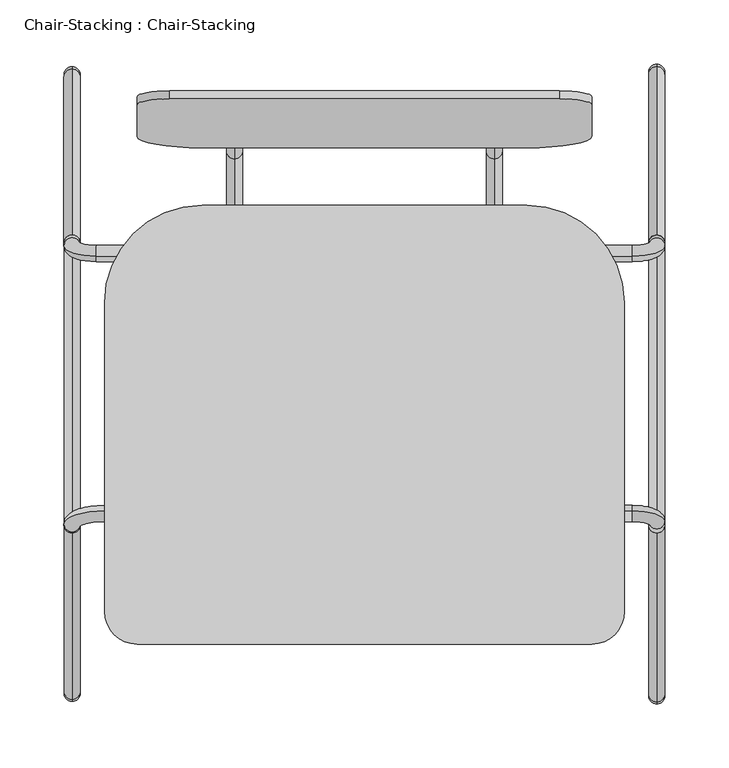
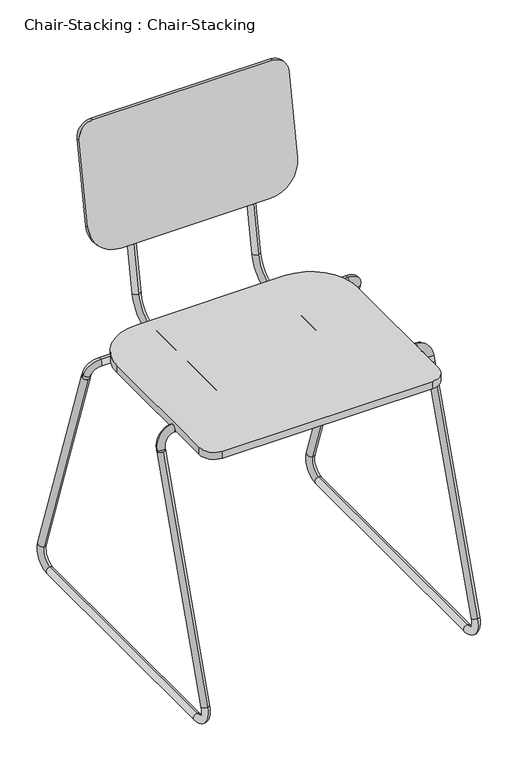
"""IFC4 building model written with IfcOpenShell, lengths in millimetres: furniture geometry, Chair-Stacking : Chair-Stacking."""

from ifc_helpers import new_model, si_unit, point, frame, frame_2d, origin, place, context, project, spatial, polyline, circle_curve, ellipse_curve, trimmed, segment, composite_curve, outline, extrude, source, transform, mapped, element, save
from ifc_brep_helpers import plane_surface, cylinder_surface, revolved_surface, advanced_brep


def chair_stacking_chair_stacking_70e1df19(model_context):
    return source(origin(), model_context, "Body", "SolidModel", [
        advanced_brep(
        [(-280.6491803, -213.2656675, 431.8), (-280.6491803, -213.2656675, 444.5), (-280.6491803, 23.0277124, 444.5), (-280.6491803, 23.0277124, 431.8), (-280.6491803, 66.802417, 481.2313385), (-280.6491803, 79.3094755, 479.0260066), (-280.6491803, 119.2282049, 705.4163709), (-280.6491803, 106.7211464, 707.6217027)],
        [
            (0, 1, circle_curve(frame((-280.6491803, -213.2656675, 438.15), z_axis=(0.0, -1.0, 0.0), x_axis=(0.0, 0.0, 1.0)), 6.35)),
            (1, 0, circle_curve(frame((-280.6491803, -213.2656675, 438.15), z_axis=(0.0, -1.0, 0.0), x_axis=(0.0, 0.0, 1.0)), 6.35)),
            (1, 2),
            (2, 3, circle_curve(frame((-280.6491803, 23.0277124, 438.15), z_axis=(0.0, -1.0, 0.0), x_axis=(0.0, 0.0, 1.0)), 6.35)),
            (3, 0),
            (3, 2, circle_curve(frame((-280.6491803, 23.0277124, 438.15), z_axis=(0.0, -1.0, 0.0), x_axis=(0.0, 0.0, 1.0)), 6.35)),
            (4, 5, circle_curve(frame((-280.6491803, 73.0559463, 480.1286726), z_axis=(0.0, -0.17364817766693355, -0.9848077530122076), x_axis=(0.0, -0.9848077530122076, 0.17364817766693355)), 6.35)),
            (5, 3, circle_curve(frame((-280.6491803, 23.0277124, 488.95), z_axis=(-1.0, 0.0, 0.0), x_axis=(0.0, 0.0, -1.0)), 57.15)),
            (2, 4, circle_curve(frame((-280.6491803, 23.0277124, 488.95), z_axis=(1.0, 0.0, 0.0), x_axis=(0.0, 0.0, -1.0)), 44.45)),
            (5, 4, circle_curve(frame((-280.6491803, 73.0559463, 480.1286726), z_axis=(0.0, -0.1736481776669353, -0.9848077530122072), x_axis=(0.0, -0.9848077530122072, 0.1736481776669353)), 6.35)),
            (6, 7, circle_curve(frame((-280.6491803, 112.9746757, 706.5190368), z_axis=(0.0, 0.1736481776669348, 0.9848077530122074), x_axis=(0.0, -0.9848077530122074, 0.1736481776669348)), 6.35)),
            (7, 6, circle_curve(frame((-280.6491803, 112.9746757, 706.5190368), z_axis=(0.0, 0.1736481776669348, 0.9848077530122074), x_axis=(0.0, -0.9848077530122074, 0.1736481776669348)), 6.35)),
            (4, 7),
            (6, 5),
        ],
        [
            plane_surface(frame((-286.9991803, -213.2656675, 438.15), z_axis=(0.0, -1.0, 0.0), x_axis=(0.0, 0.0, -1.0))),
            cylinder_surface(frame((-280.6491803, -213.2656675, 438.15), z_axis=(0.0, -1.0, 0.0), x_axis=(0.0, 0.0, 1.0)), 6.35),
            revolved_surface(trimmed(ellipse_curve(frame((-280.6491803, 23.0277124, 438.15), z_axis=(0.0, 1.0, 0.0), x_axis=(0.0, 0.0, 1.0)), 6.35, 6.35), [point((-280.6491803, 23.0277124, 431.8))], [point((-280.6491803, 23.0277124, 444.5))], True, "CARTESIAN"), (-280.6491803, 23.0277124, 488.95), (-1.0, 0.0, 0.0)),
            revolved_surface(trimmed(ellipse_curve(frame((-280.6491803, 23.0277124, 438.15), z_axis=(0.0, 1.0, 0.0), x_axis=(0.0, 0.0, 1.0)), 6.35, 6.35), [point((-280.6491803, 23.0277124, 444.5))], [point((-280.6491803, 23.0277124, 431.8))], True, "CARTESIAN"), (-280.6491803, 23.0277124, 488.95), (-1.0, 0.0, 0.0)),
            plane_surface(frame((-280.6491803, 119.2282049, 705.4163709), z_axis=(0.0, 0.17364817766692842, 0.9848077530122085), x_axis=(1.0, 0.0, 0.0))),
            cylinder_surface(frame((-280.6491803, 73.0559463, 480.1286726), z_axis=(0.0, -0.1736481776669348, -0.9848077530122074), x_axis=(0.0, -0.9848077530122074, 0.1736481776669348)), 6.35),
        ],
        [
            (0, [[1, 2]]),
            (1, [[3, 4, 5, -2]]),
            (1, [[-5, 6, -3, -1]]),
            (2, [[7, 8, -4, 9]]),
            (3, [[10, -9, -6, -8]]),
            (4, [[11, 12]]),
            (5, [[13, -11, 14, -7]]),
            (5, [[-14, -12, -13, -10]]),
        ],
    ),
        advanced_brep(
        [(-77.4491803, -213.2656675, 431.8), (-77.4491803, -213.2656675, 444.5), (-77.4491803, 23.0277124, 444.5), (-77.4491803, 23.0277124, 431.8), (-77.4491803, 66.802417, 481.2313385), (-77.4491803, 79.3094755, 479.0260066), (-77.4491803, 118.9339087, 703.7473341), (-77.4491803, 106.4268502, 705.9526659)],
        [
            (0, 1, circle_curve(frame((-77.4491803, -213.2656675, 438.15), z_axis=(0.0, -1.0, 0.0), x_axis=(0.0, 0.0, 1.0)), 6.35)),
            (1, 0, circle_curve(frame((-77.4491803, -213.2656675, 438.15), z_axis=(0.0, -1.0, 0.0), x_axis=(0.0, 0.0, 1.0)), 6.35)),
            (1, 2),
            (2, 3, circle_curve(frame((-77.4491803, 23.0277124, 438.15), z_axis=(0.0, -1.0, 0.0), x_axis=(0.0, 0.0, 1.0)), 6.35)),
            (3, 0),
            (3, 2, circle_curve(frame((-77.4491803, 23.0277124, 438.15), z_axis=(0.0, -1.0, 0.0), x_axis=(0.0, 0.0, 1.0)), 6.35)),
            (4, 5, circle_curve(frame((-77.4491803, 73.0559463, 480.1286726), z_axis=(0.0, -0.17364817766693696, -0.9848077530122069), x_axis=(0.0, -0.9848077530122069, 0.17364817766693696)), 6.35)),
            (5, 3, circle_curve(frame((-77.4491803, 23.0277124, 488.95), z_axis=(-1.0, 0.0, 0.0), x_axis=(0.0, 0.0, -1.0)), 57.15)),
            (2, 4, circle_curve(frame((-77.4491803, 23.0277124, 488.95), z_axis=(1.0, 0.0, 0.0), x_axis=(0.0, 0.0, -1.0)), 44.45)),
            (5, 4, circle_curve(frame((-77.4491803, 73.0559463, 480.1286726), z_axis=(0.0, -0.1736481776669396, -0.9848077530122064), x_axis=(0.0, -0.9848077530122064, 0.1736481776669396)), 6.35)),
            (6, 7, circle_curve(frame((-77.4491803, 112.6803794, 704.85), z_axis=(0.0, 0.17364817766693896, 0.9848077530122066), x_axis=(0.0, -0.9848077530122066, 0.17364817766693896)), 6.35)),
            (7, 6, circle_curve(frame((-77.4491803, 112.6803794, 704.85), z_axis=(0.0, 0.17364817766693896, 0.9848077530122066), x_axis=(0.0, -0.9848077530122066, 0.17364817766693896)), 6.35)),
            (4, 7),
            (6, 5),
        ],
        [
            plane_surface(frame((-83.7991803, -213.2656675, 438.15), z_axis=(0.0, -1.0, 0.0), x_axis=(0.0, 0.0, -1.0))),
            cylinder_surface(frame((-77.4491803, -213.2656675, 438.15), z_axis=(0.0, -1.0, 0.0), x_axis=(0.0, 0.0, 1.0)), 6.35),
            revolved_surface(trimmed(ellipse_curve(frame((-77.4491803, 23.0277124, 438.15), z_axis=(0.0, 1.0, 0.0), x_axis=(0.0, 0.0, 1.0)), 6.35, 6.35), [point((-77.4491803, 23.0277124, 431.8))], [point((-77.4491803, 23.0277124, 444.5))], True, "CARTESIAN"), (-77.4491803, 23.0277124, 488.95), (-1.0, 0.0, 0.0)),
            revolved_surface(trimmed(ellipse_curve(frame((-77.4491803, 23.0277124, 438.15), z_axis=(0.0, 1.0, 0.0), x_axis=(0.0, 0.0, 1.0)), 6.35, 6.35), [point((-77.4491803, 23.0277124, 444.5))], [point((-77.4491803, 23.0277124, 431.8))], True, "CARTESIAN"), (-77.4491803, 23.0277124, 488.95), (-1.0, 0.0, 0.0)),
            plane_surface(frame((-77.4491803, 118.9339087, 703.7473341), z_axis=(0.0, 0.17364817766692892, 0.9848077530122084), x_axis=(1.0, 0.0, 0.0))),
            cylinder_surface(frame((-77.4491803, 73.0559463, 480.1286726), z_axis=(0.0, -0.17364817766693896, -0.9848077530122066), x_axis=(0.0, -0.9848077530122066, 0.17364817766693896)), 6.35),
        ],
        [
            (0, [[1, 2]]),
            (1, [[3, 4, 5, -2]]),
            (1, [[-5, 6, -3, -1]]),
            (2, [[7, 8, -4, 9]]),
            (3, [[10, -9, -6, -8]]),
            (4, [[11, 12]]),
            (5, [[13, -11, 14, -7]]),
            (5, [[-14, -12, -13, -10]]),
        ],
    ),
        extrude(outline(composite_curve([segment(polyline([(-1.2491803, -312.1314636), (-356.8491803, -312.1314636)]), True, "CONTINUOUS"), segment(trimmed(circle_curve(frame_2d((-356.8491803, -286.7314636)), 25.4), [point((-356.8491803, -312.1314636))], [point((-382.2491803, -286.7314636))], False, "CARTESIAN"), True, "CONTINUOUS"), segment(polyline([(-382.2491803, -286.7314636), (-382.2491803, -45.4314636)]), True, "CONTINUOUS"), segment(trimmed(circle_curve(frame_2d((-306.0491803, -45.4314636)), 76.2), [point((-382.2491803, -45.4314636))], [point((-306.0491803, 30.7685364))], False, "CARTESIAN"), True, "CONTINUOUS"), segment(polyline([(-306.0491803, 30.7685364), (-52.0491803, 30.7685364)]), True, "CONTINUOUS"), segment(trimmed(circle_curve(frame_2d((-52.0491803, -45.4314636)), 76.2), [point((-52.0491803, 30.7685364))], [point((24.1508197, -45.4314636))], False, "CARTESIAN"), True, "CONTINUOUS"), segment(polyline([(24.1508197, -45.4314636), (24.1508197, -286.7314636)]), True, "CONTINUOUS"), segment(trimmed(circle_curve(frame_2d((-1.2491803, -286.7314636)), 25.4), [point((24.1508197, -286.7314636))], [point((-1.2491803, -312.1314636))], False, "CARTESIAN"), True, "CONTINUOUS")], self_intersect=False)), frame((0.0, 0.0, 444.5), z_axis=(0.0, 0.0, 1.0), x_axis=(1.0, 0.0, 0.0)), (0.0, 0.0, 1.0), 12.7),
        extrude(outline(composite_curve([segment(trimmed(circle_curve(frame_2d((-304.8, 25.4)), 25.4), [point((-304.8, 0.0))], [point((-330.2, 25.4))], False, "CARTESIAN"), True, "CONTINUOUS"), segment(polyline([(-330.2, 25.4), (-330.2, 168.3013626)]), True, "CONTINUOUS"), segment(trimmed(circle_curve(frame_2d((-279.4, 168.3013626)), 50.8), [point((-330.2, 168.3013626))], [point((-279.4, 219.1013626))], False, "CARTESIAN"), True, "CONTINUOUS"), segment(polyline([(-279.4, 219.1013626), (-25.4, 219.1013626)]), True, "CONTINUOUS"), segment(trimmed(circle_curve(frame_2d((-25.4, 168.3013626)), 50.8), [point((-25.4, 219.1013626))], [point((25.4, 168.3013626))], False, "CARTESIAN"), True, "CONTINUOUS"), segment(polyline([(25.4, 168.3013626), (25.4, 25.4)]), True, "CONTINUOUS"), segment(trimmed(circle_curve(frame_2d((0.0, 25.4)), 25.4), [point((25.4, 25.4))], [point((0.0, 0.0))], False, "CARTESIAN"), True, "CONTINUOUS"), segment(polyline([(0.0, 0.0), (-304.8, 0.0)]), True, "CONTINUOUS")], self_intersect=False)), frame((-331.4491803, 119.9531376, 782.6640535), z_axis=(0.0, -0.9848077530122084, 0.17364817766692858), x_axis=(-1.0, 0.0, 0.0)), (0.0, 0.0, 1.0), 6.35),
        advanced_brep(
        [(55.9008197, -219.2327758, 419.1211728), (43.2008197, -219.2327758, 419.1211728), (43.2008197, -216.3017292, 427.6700586), (55.9008197, -216.3017292, 427.6700586), (30.5008197, -212.1828103, 439.6835721), (30.5008197, -208.0638914, 451.6970857), (-382.2491803, -212.1828103, 439.6835721), (-382.2491803, -208.0638914, 451.6970857), (-401.2991803, -218.3611887, 421.6633019), (-413.9991803, -218.3611887, 421.6633019), (-413.9991803, -219.2424531, 419.0929473), (-401.2991803, -219.2424531, 419.0929473)],
        [
            (0, 1, circle_curve(frame((49.5508197, -219.2327758, 419.1211728), z_axis=(0.0, -0.32432432432432967, -0.9459459459459442), x_axis=(-1.0, 0.0, 0.0)), 6.35)),
            (1, 0, circle_curve(frame((49.5508197, -219.2327758, 419.1211728), z_axis=(0.0, -0.32432432432432967, -0.9459459459459442), x_axis=(-1.0, 0.0, 0.0)), 6.35)),
            (1, 2),
            (2, 3, circle_curve(frame((49.5508197, -216.3017292, 427.6700586), z_axis=(0.0, -0.32432432432432967, -0.9459459459459442), x_axis=(-1.0, 0.0, 0.0)), 6.35)),
            (3, 0),
            (3, 2, circle_curve(frame((49.5508197, -216.3017292, 427.6700586), z_axis=(0.0, -0.32432432432432967, -0.9459459459459442), x_axis=(-1.0, 0.0, 0.0)), 6.35)),
            (4, 5, circle_curve(frame((30.5008197, -210.1233509, 445.6903289), z_axis=(1.0, 0.0, 0.0), x_axis=(0.0, -0.32432432432432745, -0.9459459459459449)), 6.35)),
            (5, 3, circle_curve(frame((30.5008197, -216.3017292, 427.6700586), z_axis=(0.0, 0.9459459459459447, -0.3243243243243281), x_axis=(1.0, 0.0, 0.0)), 25.4)),
            (2, 4, circle_curve(frame((30.5008197, -216.3017292, 427.6700586), z_axis=(0.0, -0.9459459459459447, 0.3243243243243281), x_axis=(1.0, 0.0, 0.0)), 12.7)),
            (5, 4, circle_curve(frame((30.5008197, -210.1233509, 445.6903289), z_axis=(1.0, 0.0, 0.0), x_axis=(0.0, -0.32432432432432745, -0.9459459459459449)), 6.35)),
            (4, 6),
            (6, 7, circle_curve(frame((-382.2491803, -210.1233509, 445.6903289), z_axis=(1.0, 0.0, 0.0), x_axis=(0.0, -0.32432432432432745, -0.9459459459459449)), 6.35)),
            (7, 5),
            (7, 6, circle_curve(frame((-382.2491803, -210.1233509, 445.6903289), z_axis=(1.0, 0.0, 0.0), x_axis=(0.0, -0.32432432432432745, -0.9459459459459449)), 6.35)),
            (8, 9, circle_curve(frame((-407.6491803, -218.3611887, 421.6633019), z_axis=(0.0, 0.324324324324328, 0.9459459459459447), x_axis=(1.0000000000000002, 0.0, 0.0)), 6.35)),
            (9, 7, circle_curve(frame((-382.2491803, -218.3611887, 421.6633019), z_axis=(0.0, 0.9459459459459447, -0.3243243243243281), x_axis=(0.0, 0.3243243243243281, 0.9459459459459447)), 31.75)),
            (6, 8, circle_curve(frame((-382.2491803, -218.3611887, 421.6633019), z_axis=(0.0, -0.9459459459459447, 0.3243243243243281), x_axis=(0.0, 0.3243243243243281, 0.9459459459459447)), 19.05)),
            (9, 8, circle_curve(frame((-407.6491803, -218.3611887, 421.6633019), z_axis=(0.0, 0.324324324324328, 0.9459459459459447), x_axis=(1.0000000000000002, 0.0, 0.0)), 6.35)),
            (10, 11, circle_curve(frame((-407.6491803, -219.2424531, 419.0929473), z_axis=(0.0, -0.32432432432432784, -0.9459459459459449), x_axis=(1.0, 0.0, 0.0)), 6.35)),
            (11, 10, circle_curve(frame((-407.6491803, -219.2424531, 419.0929473), z_axis=(0.0, -0.32432432432432784, -0.9459459459459449), x_axis=(1.0, 0.0, 0.0)), 6.35)),
            (8, 11),
            (10, 9),
        ],
        [
            plane_surface(frame((49.5508197, -213.226019, 417.0617133), z_axis=(0.0, -0.32432432432433117, -0.9459459459459437), x_axis=(1.0, 0.0, 0.0))),
            cylinder_surface(frame((49.5508197, -219.2327758, 419.1211728), z_axis=(0.0, -0.32432432432432967, -0.9459459459459442), x_axis=(-1.0, 0.0, 0.0)), 6.35),
            revolved_surface(trimmed(ellipse_curve(frame((49.5508197, -216.3017292, 427.6700586), z_axis=(0.0, 0.32432432432432823, 0.9459459459459447), x_axis=(-1.0, 0.0, 0.0)), 6.35, 6.35), [point((55.9008197, -216.3017292, 427.6700586))], [point((43.2008197, -216.3017292, 427.6700586))], True, "CARTESIAN"), (30.5008197, -216.3017292, 427.6700586), (0.0, 0.9459459459459447, -0.3243243243243281)),
            revolved_surface(trimmed(ellipse_curve(frame((49.5508197, -216.3017292, 427.6700586), z_axis=(0.0, 0.32432432432432823, 0.9459459459459447), x_axis=(-1.0, 0.0, 0.0)), 6.35, 6.35), [point((43.2008197, -216.3017292, 427.6700586))], [point((55.9008197, -216.3017292, 427.6700586))], True, "CARTESIAN"), (30.5008197, -216.3017292, 427.6700586), (0.0, 0.9459459459459447, -0.3243243243243281)),
            cylinder_surface(frame((30.5008197, -210.1233509, 445.6903289), z_axis=(1.0, 0.0, 0.0), x_axis=(0.0, -0.32432432432432745, -0.9459459459459449)), 6.35),
            revolved_surface(trimmed(ellipse_curve(frame((-382.2491803, -210.1233509, 445.6903289), z_axis=(-1.0000000000000002, 0.0, 0.0), x_axis=(0.0, -0.3243243243243276, -0.9459459459459449)), 6.35, 6.35), [point((-382.2491803, -208.0638914, 451.6970857))], [point((-382.2491803, -212.1828103, 439.6835721))], True, "CARTESIAN"), (-382.2491803, -218.3611887, 421.6633019), (0.0, 0.9459459459459447, -0.3243243243243281)),
            revolved_surface(trimmed(ellipse_curve(frame((-382.2491803, -210.1233509, 445.6903289), z_axis=(-1.0000000000000002, 0.0, 0.0), x_axis=(0.0, -0.3243243243243276, -0.9459459459459449)), 6.35, 6.35), [point((-382.2491803, -212.1828103, 439.6835721))], [point((-382.2491803, -208.0638914, 451.6970857))], True, "CARTESIAN"), (-382.2491803, -218.3611887, 421.6633019), (0.0, 0.9459459459459447, -0.3243243243243281)),
            plane_surface(frame((-407.6491803, -225.2492099, 421.1524068), z_axis=(0.0, -0.3243243243243264, -0.9459459459459453), x_axis=(1.0, 0.0, 0.0))),
            cylinder_surface(frame((-407.6491803, -218.3611887, 421.6633019), z_axis=(0.0, 0.3243243243243278, 0.9459459459459447), x_axis=(1.0, 0.0, 0.0)), 6.35),
        ],
        [
            (0, [[1, 2]]),
            (1, [[3, 4, 5, -2]]),
            (1, [[-5, 6, -3, -1]]),
            (2, [[7, 8, -4, 9]]),
            (3, [[10, -9, -6, -8]]),
            (4, [[11, 12, 13, -7]]),
            (4, [[-13, 14, -11, -10]]),
            (5, [[15, 16, -12, 17]]),
            (6, [[18, -17, -14, -16]]),
            (7, [[19, 20]]),
            (8, [[21, -19, 22, -15]]),
            (8, [[-22, -20, -21, -18]]),
        ],
    ),
        advanced_brep(
        [(55.9008197, 1.3812406, 419.0879461), (43.2008197, 1.3812406, 419.0879461), (43.2008197, -0.7944914, 425.4338312), (55.9008197, -0.7944914, 425.4338312), (30.5008197, -4.9134104, 437.4473447), (30.5008197, -9.0323293, 449.4608582), (-388.5991803, -4.9134104, 437.4473447), (-388.5991803, -9.0323293, 449.4608582), (-401.2991803, -0.7944914, 425.4338312), (-413.9991803, -0.7944914, 425.4338312), (-413.9991803, 1.3997864, 419.0338542), (-401.2991803, 1.3997864, 419.0338542)],
        [
            (0, 1, circle_curve(frame((49.5508197, 1.3812406, 419.0879461), z_axis=(0.0, 0.32432432432432495, -0.9459459459459457), x_axis=(-1.0, 0.0, 0.0)), 6.35)),
            (1, 0, circle_curve(frame((49.5508197, 1.3812406, 419.0879461), z_axis=(0.0, 0.32432432432432495, -0.9459459459459457), x_axis=(-1.0, 0.0, 0.0)), 6.35)),
            (1, 2),
            (2, 3, circle_curve(frame((49.5508197, -0.7944914, 425.4338312), z_axis=(0.0, 0.32432432432432495, -0.9459459459459457), x_axis=(-1.0, 0.0, 0.0)), 6.35)),
            (3, 0),
            (3, 2, circle_curve(frame((49.5508197, -0.7944914, 425.4338312), z_axis=(0.0, 0.32432432432432495, -0.9459459459459457), x_axis=(-1.0, 0.0, 0.0)), 6.35)),
            (4, 5, circle_curve(frame((30.5008197, -6.9728698, 443.4541014), z_axis=(1.0, 0.0, 0.0), x_axis=(0.0, 0.3243243243243236, -0.9459459459459462)), 6.35)),
            (5, 3, circle_curve(frame((30.5008197, -0.7944914, 425.4338312), z_axis=(0.0, 0.9459459459459458, 0.3243243243243246), x_axis=(1.0, 0.0, 0.0)), 25.4)),
            (2, 4, circle_curve(frame((30.5008197, -0.7944914, 425.4338312), z_axis=(0.0, -0.9459459459459458, -0.3243243243243246), x_axis=(1.0, 0.0, 0.0)), 12.7)),
            (5, 4, circle_curve(frame((30.5008197, -6.9728698, 443.4541014), z_axis=(1.0, 0.0, 0.0), x_axis=(0.0, 0.3243243243243236, -0.9459459459459462)), 6.35)),
            (4, 6),
            (6, 7, circle_curve(frame((-388.5991803, -6.9728698, 443.4541014), z_axis=(1.0, 0.0, 0.0), x_axis=(0.0, 0.3243243243243236, -0.9459459459459462)), 6.35)),
            (7, 5),
            (7, 6, circle_curve(frame((-388.5991803, -6.9728698, 443.4541014), z_axis=(1.0, 0.0, 0.0), x_axis=(0.0, 0.3243243243243236, -0.9459459459459462)), 6.35)),
            (8, 9, circle_curve(frame((-407.6491803, -0.7944914, 425.4338312), z_axis=(0.0, -0.3243243243243247, 0.9459459459459458), x_axis=(1.0, 0.0, 0.0)), 6.35)),
            (9, 7, circle_curve(frame((-388.5991803, -0.7944914, 425.4338312), z_axis=(0.0, 0.9459459459459458, 0.3243243243243246), x_axis=(0.0, -0.3243243243243246, 0.9459459459459458)), 25.4)),
            (6, 8, circle_curve(frame((-388.5991803, -0.7944914, 425.4338312), z_axis=(0.0, -0.9459459459459458, -0.3243243243243246), x_axis=(0.0, -0.3243243243243246, 0.9459459459459458)), 12.7)),
            (9, 8, circle_curve(frame((-407.6491803, -0.7944914, 425.4338312), z_axis=(0.0, -0.3243243243243247, 0.9459459459459458), x_axis=(1.0, 0.0, 0.0)), 6.35)),
            (10, 11, circle_curve(frame((-407.6491803, 1.3997864, 419.0338542), z_axis=(0.0, 0.3243243243243242, -0.945945945945946), x_axis=(1.0, 0.0, 0.0)), 6.35)),
            (11, 10, circle_curve(frame((-407.6491803, 1.3997864, 419.0338542), z_axis=(0.0, 0.3243243243243242, -0.945945945945946), x_axis=(1.0, 0.0, 0.0)), 6.35)),
            (8, 11),
            (10, 9),
        ],
        [
            plane_surface(frame((49.5508197, 7.3879973, 421.1474055), z_axis=(0.0, 0.32432432432432273, -0.9459459459459466), x_axis=(1.0, 0.0, 0.0))),
            cylinder_surface(frame((49.5508197, 1.3812406, 419.0879461), z_axis=(0.0, 0.32432432432432495, -0.9459459459459457), x_axis=(-1.0, 0.0, 0.0)), 6.35),
            revolved_surface(trimmed(ellipse_curve(frame((49.5508197, -0.7944914, 425.4338312), z_axis=(0.0, -0.32432432432432456, 0.9459459459459458), x_axis=(-1.0, 0.0, 0.0)), 6.35, 6.35), [point((55.9008197, -0.7944914, 425.4338312))], [point((43.2008197, -0.7944914, 425.4338312))], True, "CARTESIAN"), (30.5008197, -0.7944914, 425.4338312), (0.0, 0.9459459459459458, 0.3243243243243246)),
            revolved_surface(trimmed(ellipse_curve(frame((49.5508197, -0.7944914, 425.4338312), z_axis=(0.0, -0.32432432432432456, 0.9459459459459458), x_axis=(-1.0, 0.0, 0.0)), 6.35, 6.35), [point((43.2008197, -0.7944914, 425.4338312))], [point((55.9008197, -0.7944914, 425.4338312))], True, "CARTESIAN"), (30.5008197, -0.7944914, 425.4338312), (0.0, 0.9459459459459458, 0.3243243243243246)),
            cylinder_surface(frame((30.5008197, -6.9728698, 443.4541014), z_axis=(1.0, 0.0, 0.0), x_axis=(0.0, 0.3243243243243236, -0.9459459459459462)), 6.35),
            revolved_surface(trimmed(ellipse_curve(frame((-388.5991803, -6.9728698, 443.4541014), z_axis=(-1.0, 0.0, 0.0), x_axis=(0.0, 0.3243243243243236, -0.9459459459459462)), 6.35, 6.35), [point((-388.5991803, -9.0323293, 449.4608582))], [point((-388.5991803, -4.9134104, 437.4473447))], True, "CARTESIAN"), (-388.5991803, -0.7944914, 425.4338312), (0.0, 0.9459459459459458, 0.3243243243243246)),
            revolved_surface(trimmed(ellipse_curve(frame((-388.5991803, -6.9728698, 443.4541014), z_axis=(-1.0, 0.0, 0.0), x_axis=(0.0, 0.3243243243243236, -0.9459459459459462)), 6.35, 6.35), [point((-388.5991803, -4.9134104, 437.4473447))], [point((-388.5991803, -9.0323293, 449.4608582))], True, "CARTESIAN"), (-388.5991803, -0.7944914, 425.4338312), (0.0, 0.9459459459459458, 0.3243243243243246)),
            plane_surface(frame((-407.6491803, -4.6069704, 416.9743947), z_axis=(0.0, 0.3243243243243226, -0.9459459459459466), x_axis=(1.0, 0.0, 0.0))),
            cylinder_surface(frame((-407.6491803, -0.7944914, 425.4338312), z_axis=(0.0, -0.3243243243243242, 0.945945945945946), x_axis=(1.0, 0.0, 0.0)), 6.35),
        ],
        [
            (0, [[1, 2]]),
            (1, [[3, 4, 5, -2]]),
            (1, [[-5, 6, -3, -1]]),
            (2, [[7, 8, -4, 9]]),
            (3, [[10, -9, -6, -8]]),
            (4, [[11, 12, 13, -7]]),
            (4, [[-13, 14, -11, -10]]),
            (5, [[15, 16, -12, 17]]),
            (6, [[18, -17, -14, -16]]),
            (7, [[19, 20]]),
            (8, [[21, -19, 22, -15]]),
            (8, [[-22, -20, -21, -18]]),
        ],
    ),
        advanced_brep(
        [(-407.6491803, -225.2492099, 421.1524068), (-407.6491803, -213.2356963, 417.0334879), (-407.6491803, -343.214591, 37.9283784), (-407.6491803, -355.2281045, 42.0472973), (-407.6491803, -325.1943208, 12.7), (-407.6491803, -325.1943208, 0.0), (-407.6491803, 107.3313935, 12.7), (-407.6491803, 107.3313935, 0.0), (-407.6491803, 125.3516638, 37.9283784), (-407.6491803, 137.3651773, 42.0472973), (-407.6491803, 7.4065431, 421.0933136), (-407.6491803, -4.6069704, 416.9743947)],
        [
            (0, 1, circle_curve(frame((-407.6491803, -219.2424531, 419.0929473), z_axis=(0.0, 0.3243243243243311, 0.9459459459459437), x_axis=(0.0, 0.9459459459459437, -0.3243243243243311)), 6.35)),
            (1, 0, circle_curve(frame((-407.6491803, -219.2424531, 419.0929473), z_axis=(0.0, 0.3243243243243311, 0.9459459459459437), x_axis=(0.0, 0.9459459459459437, -0.3243243243243311)), 6.35)),
            (1, 2),
            (2, 3, circle_curve(frame((-407.6491803, -349.2213478, 39.9878378), z_axis=(0.0, 0.3243243243243311, 0.9459459459459437), x_axis=(0.0, 0.9459459459459437, -0.3243243243243311)), 6.35)),
            (3, 0),
            (3, 2, circle_curve(frame((-407.6491803, -349.2213478, 39.9878378), z_axis=(0.0, 0.3243243243243311, 0.9459459459459437), x_axis=(0.0, 0.9459459459459437, -0.3243243243243311)), 6.35)),
            (4, 5, circle_curve(frame((-407.6491803, -325.1943208, 6.35), z_axis=(0.0, -0.9999999999999999, 0.0), x_axis=(0.0, 0.0, 0.9999999999999999)), 6.35)),
            (5, 3, circle_curve(frame((-407.6491803, -325.1943208, 31.75), z_axis=(-1.0, 0.0, 0.0), x_axis=(0.0, -0.9459459459459434, 0.3243243243243317)), 31.75)),
            (2, 4, circle_curve(frame((-407.6491803, -325.1943208, 31.75), z_axis=(1.0, 0.0, 0.0), x_axis=(0.0, -0.9459459459459434, 0.3243243243243317)), 19.05)),
            (5, 4, circle_curve(frame((-407.6491803, -325.1943208, 6.35), z_axis=(0.0, -0.9999999999999999, 0.0), x_axis=(0.0, 0.0, 0.9999999999999999)), 6.35)),
            (4, 6),
            (6, 7, circle_curve(frame((-407.6491803, 107.3313935, 6.35), z_axis=(0.0, -1.0, 0.0), x_axis=(0.0, 0.0, 1.0)), 6.35)),
            (7, 5),
            (7, 6, circle_curve(frame((-407.6491803, 107.3313935, 6.35), z_axis=(0.0, -1.0, 0.0), x_axis=(0.0, 0.0, 1.0)), 6.35)),
            (8, 9, circle_curve(frame((-407.6491803, 131.3584206, 39.9878378), z_axis=(0.0, 0.3243243243243204, -0.9459459459459473), x_axis=(0.0, -0.9459459459459473, -0.3243243243243204)), 6.35)),
            (9, 7, circle_curve(frame((-407.6491803, 107.3313935, 31.75), z_axis=(-1.0, 0.0, 0.0), x_axis=(0.0, 0.0, -1.0)), 31.75)),
            (6, 8, circle_curve(frame((-407.6491803, 107.3313935, 31.75), z_axis=(1.0, 0.0, 0.0), x_axis=(0.0, 0.0, -1.0)), 19.05)),
            (9, 8, circle_curve(frame((-407.6491803, 131.3584206, 39.9878378), z_axis=(0.0, 0.3243243243243189, -0.9459459459459478), x_axis=(0.0, -0.9459459459459478, -0.3243243243243189)), 6.35)),
            (10, 11, circle_curve(frame((-407.6491803, 1.3997864, 419.0338542), z_axis=(0.0, -0.3243243243243217, 0.9459459459459468), x_axis=(0.0, -0.9459459459459468, -0.3243243243243217)), 6.35)),
            (11, 10, circle_curve(frame((-407.6491803, 1.3997864, 419.0338542), z_axis=(0.0, -0.3243243243243217, 0.9459459459459468), x_axis=(0.0, -0.9459459459459468, -0.3243243243243217)), 6.35)),
            (8, 11),
            (10, 9),
        ],
        [
            plane_surface(frame((-407.6491803, -225.2492099, 421.1524068), z_axis=(0.0, 0.32432432432432773, 0.9459459459459448), x_axis=(1.0, 0.0, 0.0))),
            cylinder_surface(frame((-407.6491803, -219.2424531, 419.0929473), z_axis=(0.0, 0.3243243243243311, 0.9459459459459437), x_axis=(0.0, 0.9459459459459437, -0.3243243243243311)), 6.35),
            revolved_surface(trimmed(ellipse_curve(frame((-407.6491803, -349.2213478, 39.9878378), z_axis=(0.0, -0.3243243243243347, -0.9459459459459424), x_axis=(0.0, 0.9459459459459424, -0.3243243243243347)), 6.35, 6.35), [point((-407.6491803, -355.2281045, 42.0472973))], [point((-407.6491803, -343.214591, 37.9283784))], True, "CARTESIAN"), (-407.6491803, -325.1943208, 31.75), (-1.0, 0.0, 0.0)),
            revolved_surface(trimmed(ellipse_curve(frame((-407.6491803, -349.2213478, 39.9878378), z_axis=(0.0, -0.3243243243243347, -0.9459459459459424), x_axis=(0.0, 0.9459459459459424, -0.3243243243243347)), 6.35, 6.35), [point((-407.6491803, -343.214591, 37.9283784))], [point((-407.6491803, -355.2281045, 42.0472973))], True, "CARTESIAN"), (-407.6491803, -325.1943208, 31.75), (-1.0, 0.0, 0.0)),
            cylinder_surface(frame((-407.6491803, -325.1943208, 6.35), z_axis=(0.0, -1.0, 0.0), x_axis=(0.0, 0.0, 1.0)), 6.35),
            revolved_surface(trimmed(ellipse_curve(frame((-407.6491803, 107.3313935, 6.35), z_axis=(0.0, 1.0, 0.0), x_axis=(0.0, 0.0, 1.0)), 6.35, 6.35), [point((-407.6491803, 107.3313935, 0.0))], [point((-407.6491803, 107.3313935, 12.7))], True, "CARTESIAN"), (-407.6491803, 107.3313935, 31.75), (-1.0, 0.0, 0.0)),
            revolved_surface(trimmed(ellipse_curve(frame((-407.6491803, 107.3313935, 6.35), z_axis=(0.0, 1.0, 0.0), x_axis=(0.0, 0.0, 1.0)), 6.35, 6.35), [point((-407.6491803, 107.3313935, 12.7))], [point((-407.6491803, 107.3313935, 0.0))], True, "CARTESIAN"), (-407.6491803, 107.3313935, 31.75), (-1.0, 0.0, 0.0)),
            plane_surface(frame((-407.6491803, 7.4065431, 421.0933136), z_axis=(0.0, -0.324324324324323, 0.9459459459459465), x_axis=(1.0, 0.0, 0.0))),
            cylinder_surface(frame((-407.6491803, 131.3584206, 39.9878378), z_axis=(0.0, 0.3243243243243217, -0.9459459459459468), x_axis=(0.0, -0.9459459459459468, -0.3243243243243217)), 6.35),
        ],
        [
            (0, [[1, 2]]),
            (1, [[3, 4, 5, -2]]),
            (1, [[-5, 6, -3, -1]]),
            (2, [[7, 8, -4, 9]]),
            (3, [[10, -9, -6, -8]]),
            (4, [[11, 12, 13, -7]]),
            (4, [[-13, 14, -11, -10]]),
            (5, [[15, 16, -12, 17]]),
            (6, [[18, -17, -14, -16]]),
            (7, [[19, 20]]),
            (8, [[21, -19, 22, -15]]),
            (8, [[-22, -20, -21, -18]]),
        ],
    ),
        advanced_brep(
        [(49.5508197, -225.2597598, 421.1875673), (49.5508197, -213.2656675, 417.0124327), (49.5508197, -345.1951918, 38.0127019), (49.5508197, -357.1892841, 42.1878365), (49.5508197, -327.2040533, 12.7), (49.5508197, -327.2040533, 0.0), (49.5508197, 109.3411268, 12.7), (49.5508197, 109.3411268, 0.0), (49.5508197, 127.3337908, 38.0083179), (49.5508197, 139.3289001, 42.1805298), (49.5508197, 7.5008737, 421.186106), (49.5508197, -4.4942357, 417.013894)],
        [
            (0, 1, circle_curve(frame((49.5508197, -219.2627136, 419.1), z_axis=(0.0, 0.3287507573582007, 0.9444167192168982), x_axis=(0.0, 0.9444167192168982, -0.3287507573582007)), 6.35)),
            (1, 0, circle_curve(frame((49.5508197, -219.2627136, 419.1), z_axis=(0.0, 0.3287507573582007, 0.9444167192168982), x_axis=(0.0, 0.9444167192168982, -0.3287507573582007)), 6.35)),
            (1, 2),
            (2, 3, circle_curve(frame((49.5508197, -351.1922379, 40.1002692), z_axis=(0.0, 0.3287507573582007, 0.9444167192168982), x_axis=(0.0, 0.9444167192168982, -0.3287507573582007)), 6.35)),
            (3, 0),
            (3, 2, circle_curve(frame((49.5508197, -351.1922379, 40.1002692), z_axis=(0.0, 0.3287507573582007, 0.9444167192168982), x_axis=(0.0, 0.9444167192168982, -0.3287507573582007)), 6.35)),
            (4, 5, circle_curve(frame((49.5508197, -327.2040533, 6.35), z_axis=(0.0, -1.0, 0.0), x_axis=(0.0, 0.0, 1.0)), 6.35)),
            (5, 3, circle_curve(frame((49.5508197, -327.2040533, 31.75), z_axis=(-1.0, 0.0, 0.0), x_axis=(0.0, -0.944416719216897, 0.3287507573582041)), 31.75)),
            (2, 4, circle_curve(frame((49.5508197, -327.2040533, 31.75), z_axis=(1.0, 0.0, 0.0), x_axis=(0.0, -0.944416719216897, 0.3287507573582041)), 19.05)),
            (5, 4, circle_curve(frame((49.5508197, -327.2040533, 6.35), z_axis=(0.0, -1.0, 0.0), x_axis=(0.0, 0.0, 1.0)), 6.35)),
            (4, 6),
            (6, 7, circle_curve(frame((49.5508197, 109.3411268, 6.35), z_axis=(0.0, -1.0, 0.0), x_axis=(0.0, 0.0, 1.0)), 6.35)),
            (7, 5),
            (7, 6, circle_curve(frame((49.5508197, 109.3411268, 6.35), z_axis=(0.0, -1.0, 0.0), x_axis=(0.0, 0.0, 1.0)), 6.35)),
            (8, 9, circle_curve(frame((49.5508197, 133.3313455, 40.0944239), z_axis=(0.0, 0.3285206249412754, -0.9444967967061582), x_axis=(0.0, -0.9444967967061582, -0.3285206249412754)), 6.35)),
            (9, 7, circle_curve(frame((49.5508197, 109.3411268, 31.75), z_axis=(-1.0, 0.0, 0.0), x_axis=(0.0, 0.0, -1.0)), 31.75)),
            (6, 8, circle_curve(frame((49.5508197, 109.3411268, 31.75), z_axis=(1.0, 0.0, 0.0), x_axis=(0.0, 0.0, -1.0)), 19.05)),
            (9, 8, circle_curve(frame((49.5508197, 133.3313455, 40.0944239), z_axis=(0.0, 0.3285206249412716, -0.9444967967061595), x_axis=(0.0, -0.9444967967061595, -0.3285206249412716)), 6.35)),
            (10, 11, circle_curve(frame((49.5508197, 1.503319, 419.1), z_axis=(0.0, -0.3285206249412728, 0.9444967967061592), x_axis=(0.0, -0.9444967967061592, -0.3285206249412728)), 6.35)),
            (11, 10, circle_curve(frame((49.5508197, 1.503319, 419.1), z_axis=(0.0, -0.3285206249412728, 0.9444967967061592), x_axis=(0.0, -0.9444967967061592, -0.3285206249412728)), 6.35)),
            (8, 11),
            (10, 9),
        ],
        [
            plane_surface(frame((49.5508197, -225.2597598, 421.1875673), z_axis=(0.0, 0.3287507573582023, 0.9444167192168977), x_axis=(1.0, 0.0, 0.0))),
            cylinder_surface(frame((49.5508197, -219.2627136, 419.1), z_axis=(0.0, 0.3287507573582007, 0.9444167192168982), x_axis=(0.0, 0.9444167192168982, -0.3287507573582007)), 6.35),
            revolved_surface(trimmed(ellipse_curve(frame((49.5508197, -351.1922379, 40.1002692), z_axis=(0.0, -0.32875075735820414, -0.944416719216897), x_axis=(0.0, 0.944416719216897, -0.32875075735820414)), 6.35, 6.35), [point((49.5508197, -357.1892841, 42.1878365))], [point((49.5508197, -345.1951918, 38.0127019))], True, "CARTESIAN"), (49.5508197, -327.2040533, 31.75), (-1.0, 0.0, 0.0)),
            revolved_surface(trimmed(ellipse_curve(frame((49.5508197, -351.1922379, 40.1002692), z_axis=(0.0, -0.32875075735820414, -0.944416719216897), x_axis=(0.0, 0.944416719216897, -0.32875075735820414)), 6.35, 6.35), [point((49.5508197, -345.1951918, 38.0127019))], [point((49.5508197, -357.1892841, 42.1878365))], True, "CARTESIAN"), (49.5508197, -327.2040533, 31.75), (-1.0, 0.0, 0.0)),
            cylinder_surface(frame((49.5508197, -327.2040533, 6.35), z_axis=(0.0, -1.0, 0.0), x_axis=(0.0, 0.0, 1.0)), 6.35),
            revolved_surface(trimmed(ellipse_curve(frame((49.5508197, 109.3411268, 6.35), z_axis=(0.0, 1.0, 0.0), x_axis=(0.0, 0.0, 1.0)), 6.35, 6.35), [point((49.5508197, 109.3411268, 0.0))], [point((49.5508197, 109.3411268, 12.7))], True, "CARTESIAN"), (49.5508197, 109.3411268, 31.75), (-1.0, 0.0, 0.0)),
            revolved_surface(trimmed(ellipse_curve(frame((49.5508197, 109.3411268, 6.35), z_axis=(0.0, 1.0, 0.0), x_axis=(0.0, 0.0, 1.0)), 6.35, 6.35), [point((49.5508197, 109.3411268, 12.7))], [point((49.5508197, 109.3411268, 0.0))], True, "CARTESIAN"), (49.5508197, 109.3411268, 31.75), (-1.0, 0.0, 0.0)),
            plane_surface(frame((49.5508197, 7.5008737, 421.186106), z_axis=(0.0, -0.3285206249412714, 0.9444967967061596), x_axis=(1.0, 0.0, 0.0))),
            cylinder_surface(frame((49.5508197, 133.3313455, 40.0944239), z_axis=(0.0, 0.3285206249412728, -0.9444967967061592), x_axis=(0.0, -0.9444967967061592, -0.3285206249412728)), 6.35),
        ],
        [
            (0, [[1, 2]]),
            (1, [[3, 4, 5, -2]]),
            (1, [[-5, 6, -3, -1]]),
            (2, [[7, 8, -4, 9]]),
            (3, [[10, -9, -6, -8]]),
            (4, [[11, 12, 13, -7]]),
            (4, [[-13, 14, -11, -10]]),
            (5, [[15, 16, -12, 17]]),
            (6, [[18, -17, -14, -16]]),
            (7, [[19, 20]]),
            (8, [[21, -19, 22, -15]]),
            (8, [[-22, -20, -21, -18]]),
        ],
    ),
    ])


if __name__ == "__main__":
    model = new_model("IFC4")
    model_context = context("Model", 3, world=origin())
    ifc_project = project(units=[si_unit("LENGTHUNIT", "METRE", prefix="MILLI")], contexts=[model_context])
    site = spatial("IfcSite", under=ifc_project)
    building = spatial("IfcBuilding", under=site)
    placement = place(None, origin())
    chair_stacking_chair_stacking_shape = chair_stacking_chair_stacking_70e1df19(model_context)
    element("IfcFurniture", 1, ObjectType="Chair-Stacking : Chair-Stacking", at=placement, inside=building, context=model_context, shape_type="MappedRepresentation", body=[
        mapped(chair_stacking_chair_stacking_shape, transform((0.0, 0.0, 0.0), x_axis=(1.0, 0.0, 0.0), y_axis=(0.0, 1.0, 0.0), z_axis=(0.0, 0.0, 1.0))),
    ])
    save(model, "model.ifc")
